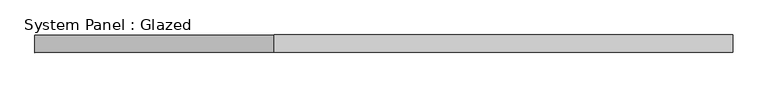
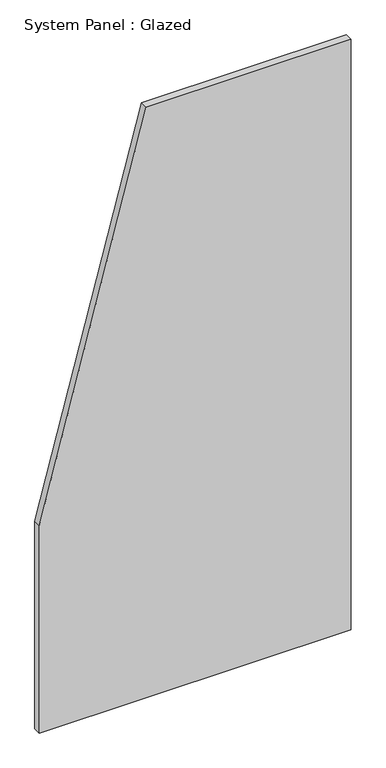
"""IFC4 building model written with IfcOpenShell, lengths in millimetres: plate geometry, System Panel : Glazed."""

from ifc_helpers import new_model, si_unit, frame, origin, place, context, project, spatial, polyline, outline, extrude, source, transform, mapped, element, save


def system_panel_glazed_ed9c694c(model_context):
    return source(origin(), model_context, "Body", "SweptSolid", [
        extrude(outline(polyline([(0.0, -500.0), (0.0, 500.0), (2000.0, 500.0), (2000.0, -157.1428574), (702.7027039, -500.0), (0.0, -500.0)])), frame((0.0, 24.5, 0.0), z_axis=(0.0, 1.0, 0.0), x_axis=(0.0, 0.0, 1.0)), (0.0, 0.0, 1.0), 25.0),
    ])


if __name__ == "__main__":
    model = new_model("IFC4")
    model_context = context("Model", 3, world=origin())
    ifc_project = project(units=[si_unit("LENGTHUNIT", "METRE", prefix="MILLI")], contexts=[model_context])
    site = spatial("IfcSite", under=ifc_project)
    building = spatial("IfcBuilding", under=site)
    placement = place(None, origin())
    system_panel_glazed_shape = system_panel_glazed_ed9c694c(model_context)
    element("IfcPlate", 1, ObjectType="System Panel : Glazed", at=placement, inside=building, context=model_context, shape_type="MappedRepresentation", body=[
        mapped(system_panel_glazed_shape, transform((0.0, 0.0, 0.0), x_axis=(1.0, 0.0, 0.0), y_axis=(0.0, 1.0, 0.0), z_axis=(0.0, 0.0, 1.0))),
    ])
    save(model, "model.ifc")
